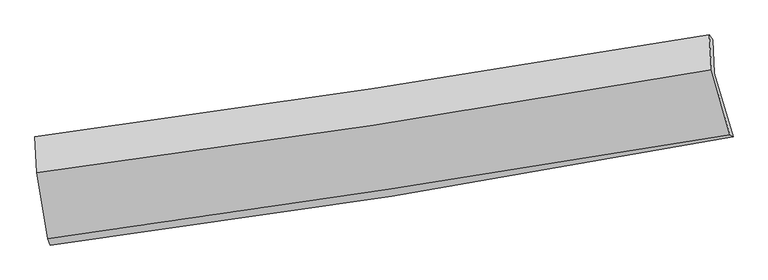
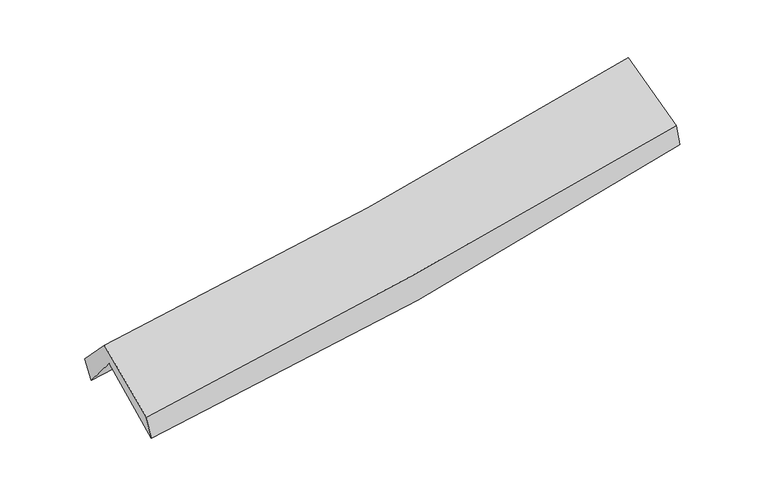
"""IFC4 building model written with IfcOpenShell, lengths in millimetres: proxy geometry."""

from ifc_helpers import new_model, si_unit, frame, origin, place, context, project, spatial, source, transform, mapped, element, save
from ifc_brep_helpers import plane_surface, spline_curve, spline_surface, advanced_brep


def generic_models_0870a431(model_context):
    return source(origin(), model_context, "Body", "AdvancedBrep", [
        advanced_brep(
        [(-2528.3332769, -2490.2626043, 1479.1833056), (-2614.9031346, -1989.9064938, 1919.444493), (2553.0046125, -1176.5033624, 2375.516956), (2696.6975335, -1661.0311311, 1940.2807226), (-2625.689896, -1728.6212017, 1603.2194353), (2542.4933847, -921.8922577, 2067.3694494), (-2644.4008474, -1661.6621307, 1775.2011037), (2514.8302826, -883.1757348, 2235.7996686), (-2629.9830012, -1939.3085335, 2064.3313225), (2531.3481725, -1147.9454772, 2510.0924823), (-2545.2068851, -2442.8435171, 1658.4603678), (2671.9753818, -1645.4359843, 2120.2867141)],
        [
            (0, 1),
            (1, 2, spline_curve(3, [(-2614.9031346, -1989.9064938, 1919.444493), (-1750.766478007, -1880.09647558, 1966.921516685), (-889.827302073, -1757.744118009, 2028.44805776), (832.862567644, -1486.821379674, 2180.235141102), (1694.559307752, -1338.039360505, 2270.73275445), (2553.0046125, -1176.5033624, 2375.516956)], [4, 2, 4], [0.0, 8.629555365409631, 17.33161358539061])),
            (2, 3),
            (3, 0, spline_curve(3, [(2696.6975335, -1661.0311311, 1940.2807226), (1830.101889725, -1825.989924268, 1827.196832659), (959.54686218, -1977.806269304, 1732.144478405), (-782.195776294, -2253.998674927, 1578.744553811), (-1653.317685903, -2378.59282111, 1520.097769319), (-2528.3332769, -2490.2626043, 1479.1833056)], [4, 2, 4], [0.0, 8.702058219980978, 17.33161358539061])),
            (1, 4),
            (4, 5, spline_curve(3, [(-2625.689896, -1728.6212017, 1603.2194353), (-1761.598588544, -1617.712701367, 1649.367001892), (-900.65941256, -1495.360343604, 1710.893542932), (822.12153654, -1226.643798988, 1865.350710218), (1683.910121084, -1080.086508607, 1958.540840534), (2542.4933847, -921.8922577, 2067.3694494)], [4, 2, 4], [0.0, 8.580867203499572, 17.23382819869612])),
            (5, 2),
            (4, 6),
            (6, 7, spline_curve(3, [(-2644.4008474, -1661.6621307, 1775.2011037), (-1783.821164018, -1545.975695912, 1822.165163319), (-925.384929621, -1423.55827326, 1883.808175673), (794.394949108, -1164.176386545, 2037.093338262), (1655.702424343, -1027.098343954, 2128.983181242), (2514.8302826, -883.1757348, 2235.7996686)], [4, 2, 4], [0.0, 8.56949380722218, 17.210985850384247])),
            (7, 5),
            (6, 8),
            (8, 9, spline_curve(3, [(-2629.9830012, -1939.3085335, 2064.3313225), (-1768.725826004, -1827.939583959, 2116.223811349), (-909.775885774, -1706.625838459, 2179.115218991), (810.706770973, -1443.005961078, 2327.51667708), (1672.200555396, -1300.532021259, 2413.212322325), (2531.3481725, -1147.9454772, 2510.0924823)], [4, 2, 4], [0.0, 8.560248817562439, 17.19241819752164])),
            (9, 7),
            (8, 10),
            (10, 11, spline_curve(3, [(-2545.2068851, -2442.8435171, 1658.4603678), (-1675.585879139, -2322.237118955, 1715.430710717), (-807.821130473, -2195.785826813, 1782.199254965), (931.270947342, -1930.081942556, 1935.976035743), (1802.566954614, -1790.730723633, 2023.149607123), (2671.9753818, -1645.4359843, 2120.2867141)], [4, 2, 4], [0.0, 8.6088255303975, 17.28997974970548])),
            (11, 9),
            (10, 0),
            (3, 11),
        ],
        [
            spline_surface(3, 3, [[(-2528.3332769, -2490.2626043, 1479.1833056), (-1653.317685771, -2378.59282109, 1520.097769368), (-782.195776399, -2253.998674993, 1578.744553923), (959.546862285, -1977.806269237, 1732.144478292), (1830.101889679, -1825.98992426, 1827.196832712), (2696.6975335, -1661.0311311, 1940.2807226)], [(-2557.189896126, -2323.477234145, 1625.937034729), (-1685.800616462, -2212.427372608, 1669.039018503), (-818.072951644, -2088.580489285, 1728.645721876), (917.318764115, -1814.144639428, 1881.508032524), (1784.921029028, -1663.339736327, 1975.042139899), (2648.799893169, -1499.521874893, 2085.359467051)], [(-2586.046515374, -2156.691863955, 1772.690763871), (-1718.283547174, -2046.261924091, 1817.980267651), (-853.950126924, -1923.162303579, 1878.546889875), (875.09066591, -1650.483009622, 2030.871586802), (1739.740168371, -1500.689548314, 2122.887447135), (2600.902252831, -1338.012618607, 2230.438211549)], [(-2614.9031346, -1989.9064938, 1919.444493), (-1750.766477865, -1880.096475609, 1966.921516785), (-889.827302169, -1757.744117871, 2028.448057828), (832.86256774, -1486.821379813, 2180.235141034), (1694.55930772, -1338.039360381, 2270.732754322), (2553.0046125, -1176.5033624, 2375.516956)]], [4, 4], [4, 2, 4], [0.0, 2.2224770194060115], [0.0, 8.629555365409631, 17.33161358539061]),
            spline_surface(3, 3, [[(-2614.9031346, -1989.9064938, 1919.444493), (-1750.766477865, -1880.096475609, 1966.921516785), (-889.827302169, -1757.744117871, 2028.448057828), (832.86256774, -1486.821379813, 2180.235141034), (1694.55930772, -1338.039360381, 2270.732754322), (2553.0046125, -1176.5033624, 2375.516956)], [(-2618.498721716, -1902.81139644, 1814.036140436), (-1754.377181363, -1792.635217538, 1861.070011868), (-893.438005667, -1670.2828598, 1922.596552911), (829.282224009, -1400.095519533, 2075.273664052), (1691.009578829, -1252.055076476, 2166.668783013), (2549.500869903, -1091.632994166, 2272.801120457)], [(-2622.094308884, -1815.71629906, 1708.627787864), (-1757.987884913, -1705.173959448, 1755.218506943), (-897.048709116, -1582.821601709, 1816.745047986), (825.701880326, -1313.369659233, 1970.312187061), (1687.459849927, -1166.070792573, 2062.604811733), (2545.997127297, -1006.762625934, 2170.085284943)], [(-2625.689896, -1728.6212017, 1603.2194353), (-1761.598588411, -1617.712701377, 1649.367002027), (-900.659412614, -1495.360343638, 1710.89354307), (822.121536595, -1226.643798953, 1865.350710079), (1683.910121035, -1080.086508668, 1958.540840425), (2542.4933847, -921.8922577, 2067.3694494)]], [4, 4], [4, 2, 4], [0.0, 1.3462111179076532], [0.0, 8.580867203499572, 17.23382819869612]),
            spline_surface(3, 3, [[(-2625.689896, -1728.6212017, 1603.2194353), (-1761.598588411, -1617.712701377, 1649.367002027), (-900.659412614, -1495.360343638, 1710.89354307), (822.121536595, -1226.643798953, 1865.350710079), (1683.910121035, -1080.086508668, 1958.540840425), (2542.4933847, -921.8922577, 2067.3694494)], [(-2631.926879795, -1706.301511354, 1660.546658102), (-1769.006113613, -1593.800366256, 1706.966389162), (-908.901251555, -1471.42632017, 1768.531753918), (812.879340741, -1205.821328115, 1922.598252845), (1674.507555506, -1062.423787079, 2015.354954011), (2533.272350656, -908.986750057, 2123.512855805)], [(-2638.163863605, -1683.981821046, 1717.873880898), (-1776.413638829, -1569.888031174, 1764.565776291), (-917.143090552, -1447.492296768, 1826.169964739), (803.637144833, -1184.998857342, 1979.845795582), (1665.104990007, -1044.761065518, 2072.169067583), (2524.051316644, -896.081242443, 2179.656262195)], [(-2644.4008474, -1661.6621307, 1775.2011037), (-1783.821164031, -1545.975696054, 1822.165163427), (-925.384929494, -1423.5582733, 1883.808175588), (794.394948979, -1164.176386504, 2037.093338348), (1655.702424477, -1027.098343929, 2128.983181169), (2514.8302826, -883.1757348, 2235.7996686)]], [4, 4], [4, 2, 4], [0.0, 0.6127860186462821], [0.0, 8.56949380722218, 17.210985850384247]),
            spline_surface(3, 3, [[(-2644.4008474, -1661.6621307, 1775.2011037), (-1783.821164031, -1545.975696054, 1822.165163427), (-925.384929494, -1423.5582733, 1883.808175588), (794.394948979, -1164.176386504, 2037.093338348), (1655.702424477, -1027.098343929, 2128.983181169), (2514.8302826, -883.1757348, 2235.7996686)], [(-2639.594898668, -1754.210931656, 1871.577843319), (-1778.789384659, -1639.96365872, 1920.184712706), (-920.181914936, -1517.914128339, 1982.243856776), (799.832222968, -1257.119578062, 2133.901117892), (1661.20180147, -1118.242903064, 2223.726228239), (2520.336245899, -971.432315611, 2327.230606519)], [(-2634.788949932, -1846.759732544, 1967.954582881), (-1773.757605282, -1733.951621318, 2018.204261929), (-914.978900342, -1612.26998335, 2080.679537932), (805.269496994, -1350.062769591, 2230.708897405), (1666.701178466, -1209.387462168, 2318.469275251), (2525.842209201, -1059.688896389, 2418.661544381)], [(-2629.9830012, -1939.3085335, 2064.3313225), (-1768.725825909, -1827.939583984, 2116.223811209), (-909.775885784, -1706.62583839, 2179.11521912), (810.706770982, -1443.005961148, 2327.51667695), (1672.200555458, -1300.532021303, 2413.212322321), (2531.3481725, -1147.9454772, 2510.0924823)]], [4, 4], [4, 2, 4], [0.0, 1.3324201778865539], [0.0, 8.560248817562439, 17.19241819752164]),
            spline_surface(3, 3, [[(-2629.9830012, -1939.3085335, 2064.3313225), (-1768.725825909, -1827.939583984, 2116.223811209), (-909.775885784, -1706.62583839, 2179.11521912), (810.706770982, -1443.005961148, 2327.51667695), (1672.200555458, -1300.532021303, 2413.212322321), (2531.3481725, -1147.9454772, 2510.0924823)], [(-2601.724295855, -2107.153528022, 1929.041004264), (-1737.679177026, -1992.705428997, 1982.626111051), (-875.79096738, -1869.679167885, 2046.809897719), (850.894829815, -1605.3646216, 2197.003129898), (1715.656021795, -1463.93158877, 2283.191417234), (2578.22390892, -1313.775646213, 2380.157226231)], [(-2573.465590445, -2274.998522578, 1793.750686036), (-1706.632528079, -2157.471274045, 1849.028410903), (-841.806048995, -2032.732497375, 1914.504576317), (891.082888629, -1767.723282047, 2066.489582844), (1759.111488172, -1627.331156298, 2153.170512155), (2625.09964538, -1479.605815287, 2250.221970169)], [(-2545.2068851, -2442.8435171, 1658.4603678), (-1675.585879196, -2322.237119058, 1715.430710746), (-807.821130591, -2195.78582687, 1782.199254916), (931.270947461, -1930.081942498, 1935.976035792), (1802.566954509, -1790.730723765, 2023.149607068), (2671.9753818, -1645.4359843, 2120.2867141)]], [4, 4], [4, 2, 4], [0.0, 2.090606033236051], [0.0, 8.6088255303975, 17.28997974970548]),
            spline_surface(3, 3, [[(-2545.2068851, -2442.8435171, 1658.4603678), (-1675.585879196, -2322.237119058, 1715.430710746), (-807.821130591, -2195.78582687, 1782.199254916), (931.270947461, -1930.081942498, 1935.976035792), (1802.566954509, -1790.730723765, 2023.149607068), (2671.9753818, -1645.4359843, 2120.2867141)], [(-2539.58234904, -2458.649879484, 1598.701347051), (-1668.163148061, -2341.022353053, 1650.319730271), (-799.279345868, -2215.190109583, 1714.381021244), (940.696252395, -1945.990051417, 1868.032183284), (1811.745266252, -1802.48379059, 1957.83201562), (2680.216099053, -1650.634366561, 2060.284716937)], [(-2533.95781296, -2474.456241916, 1538.942326349), (-1660.740416906, -2359.807587096, 1585.208749843), (-790.737561122, -2234.59439228, 1646.562787595), (950.121557351, -1961.898160319, 1800.0883308), (1820.923577936, -1814.236857434, 1892.514424161), (2688.456816247, -1655.832748839, 2000.282719763)], [(-2528.3332769, -2490.2626043, 1479.1833056), (-1653.317685771, -2378.59282109, 1520.097769368), (-782.195776399, -2253.998674993, 1578.744553923), (959.546862285, -1977.806269237, 1732.144478292), (1830.101889679, -1825.98992426, 1827.196832712), (2696.6975335, -1661.0311311, 1940.2807226)]], [4, 4], [4, 2, 4], [0.0, 0.6959628056754293], [0.0, 8.666599892748128, 17.406013876726334]),
            plane_surface(frame((2585.0582279, -1239.3306579, 2208.2243322), z_axis=(0.9759324339391452, 0.1832897553309589, 0.11815561762495186), x_axis=(0.21719391834402257, -0.7683570848881596, -0.6020416862116276))),
            plane_surface(frame((-2598.0861735, -2042.1007468, 1749.973338), z_axis=(-0.9912206173345884, -0.11652874025375878, -0.062471917416624355), x_axis=(-0.09061681297954416, 0.2546560585153367, 0.9627766537815838))),
        ],
        [
            (0, [[1, 2, 3, 4]]),
            (1, [[5, 6, 7, -2]]),
            (2, [[8, 9, 10, -6]]),
            (3, [[11, 12, 13, -9]]),
            (4, [[14, 15, 16, -12]]),
            (5, [[17, -4, 18, -15]]),
            (6, [[-16, -18, -3, -7, -10, -13]]),
            (7, [[-17, -14, -11, -8, -5, -1]]),
        ],
    ),
    ])


if __name__ == "__main__":
    model = new_model("IFC4")
    model_context = context("Model", 3, world=origin())
    ifc_project = project(units=[si_unit("LENGTHUNIT", "METRE", prefix="MILLI")], contexts=[model_context])
    site = spatial("IfcSite", under=ifc_project)
    building = spatial("IfcBuilding", under=site)
    placement = place(None, origin())
    generic_models_shape = generic_models_0870a431(model_context)
    element("IfcBuildingElementProxy", 1, Name="Generic Models", at=placement, inside=building, context=model_context, shape_type="MappedRepresentation", body=[
        mapped(generic_models_shape, transform((0.0, 0.0, 0.0), x_axis=(1.0, 0.0, 0.0), y_axis=(0.0, 1.0, 0.0), z_axis=(0.0, 0.0, 1.0))),
    ])
    save(model, "model.ifc")
